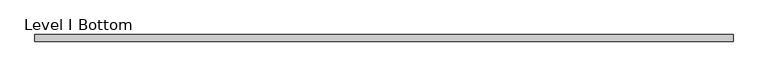
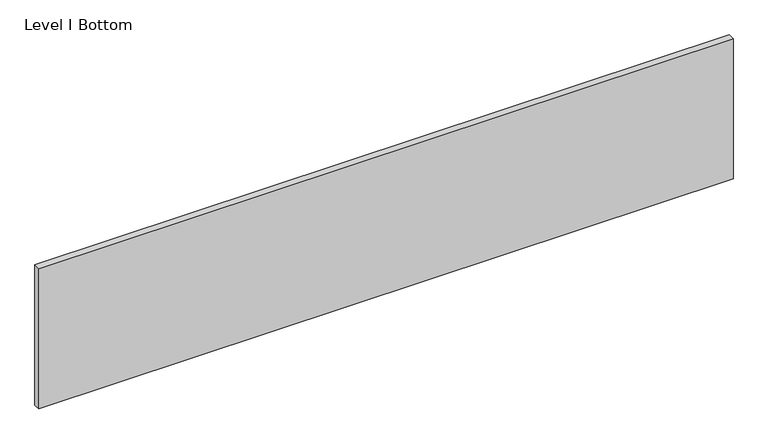
"""IFC4 building model written with IfcOpenShell, lengths in millimetres: proxy geometry, Level I Bottom."""

from ifc_helpers import new_model, si_unit, frame, origin, place, context, project, spatial, polyline, outline, extrude, source, transform, mapped, element, save


def level_i_bottom_8ccd5de8(model_context):
    return source(origin(), model_context, "Body", "SweptSolid", [
        extrude(outline(polyline([(1005.8356344, -9.525), (-1005.8356344, -9.525), (-1005.8356344, 9.525), (1005.8356344, 9.525), (1005.8356344, -9.525)])), frame((0.0, 0.0, 3.175), z_axis=(0.0, 0.0, 1.0), x_axis=(1.0, 0.0, 0.0)), (0.0, 0.0, 1.0), 429.768),
    ])


if __name__ == "__main__":
    model = new_model("IFC4")
    model_context = context("Model", 3, world=origin())
    ifc_project = project(units=[si_unit("LENGTHUNIT", "METRE", prefix="MILLI")], contexts=[model_context])
    site = spatial("IfcSite", under=ifc_project)
    building = spatial("IfcBuilding", under=site)
    placement = place(None, origin())
    level_i_bottom_shape = level_i_bottom_8ccd5de8(model_context)
    element("IfcBuildingElementProxy", 1, Name="Level I Bottom", ObjectType="Level I Bottom", at=placement, inside=building, context=model_context, shape_type="MappedRepresentation", body=[
        mapped(level_i_bottom_shape, transform((0.0, 0.0, 0.0), x_axis=(1.0, 0.0, 0.0), y_axis=(0.0, 1.0, 0.0), z_axis=(0.0, 0.0, 1.0))),
    ])
    save(model, "model.ifc")
